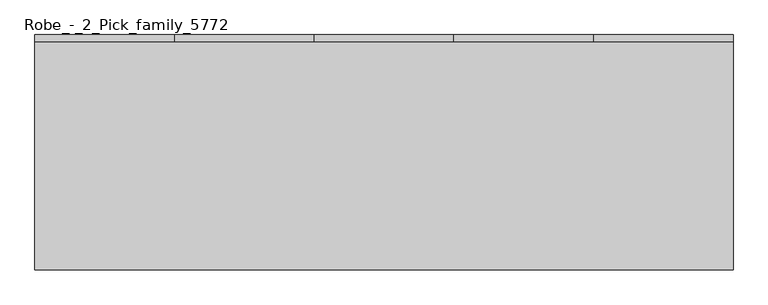
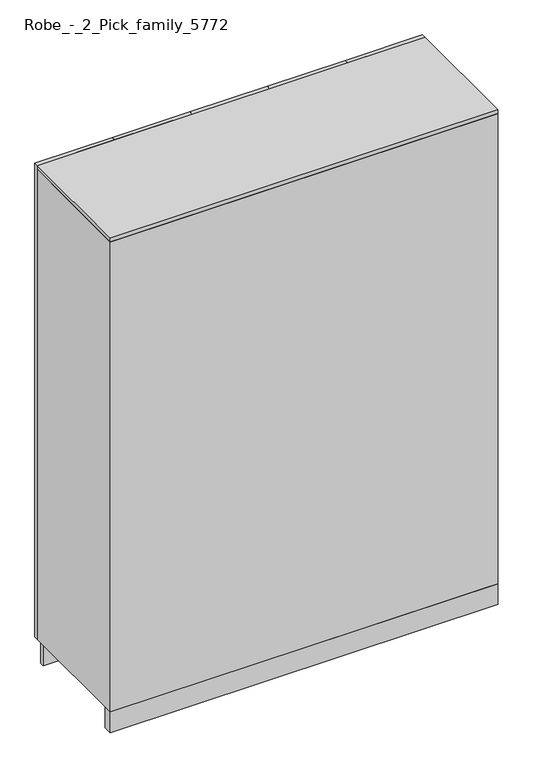
"""IFC4 building model written with IfcOpenShell, lengths in millimetres: furniture geometry, Robe_-_2_Pick_family_5772."""

from ifc_helpers import new_model, si_unit, point, frame, frame_2d, origin, origin_with_axes, place, context, project, spatial, polyline, circle_curve, trimmed, segment, composite_curve, outline, extrude, source, transform, mapped, element, save


def robe_2_pick_family_5772_e962e445(model_context):
    return source(origin(), model_context, "Body", "SweptSolid", [
        extrude(outline(polyline([(1424.0, 600.0), (1424.0, 582.0), (1068.0, 582.0), (1068.0, 600.0), (1424.0, 600.0)])), frame((0.0, 0.0, 100.0), z_axis=(0.0, 0.0, 1.0), x_axis=(1.0, 0.0, 0.0)), (0.0, 0.0, 1.0), 2300.0),
        extrude(outline(polyline([(1068.0, 600.0), (1068.0, 582.0), (712.0, 582.0), (712.0, 600.0), (1068.0, 600.0)])), frame((0.0, 0.0, 100.0), z_axis=(0.0, 0.0, 1.0), x_axis=(1.0, 0.0, 0.0)), (0.0, 0.0, 1.0), 2300.0),
        extrude(outline(polyline([(712.0, 600.0), (712.0, 582.0), (356.0, 582.0), (356.0, 600.0), (712.0, 600.0)])), frame((0.0, 0.0, 100.0), z_axis=(0.0, 0.0, 1.0), x_axis=(1.0, 0.0, 0.0)), (0.0, 0.0, 1.0), 2300.0),
        extrude(outline(polyline([(1780.0, 600.0), (1780.0, 582.0), (1424.0, 582.0), (1424.0, 600.0), (1780.0, 600.0)])), frame((0.0, 0.0, 100.0), z_axis=(0.0, 0.0, 1.0), x_axis=(1.0, 0.0, 0.0)), (0.0, 0.0, 1.0), 2300.0),
        extrude(outline(polyline([(356.0, 600.0), (356.0, 582.0), (0.0, 582.0), (0.0, 600.0), (356.0, 600.0)])), frame((0.0, 0.0, 100.0), z_axis=(0.0, 0.0, 1.0), x_axis=(1.0, 0.0, 0.0)), (0.0, 0.0, 1.0), 2300.0),
        extrude(outline(polyline([(0.0, 0.0), (0.0, 582.0), (18.0, 582.0), (18.0, 18.0), (1762.0, 18.0), (1762.0, 582.0), (1780.0, 582.0), (1780.0, 0.0), (0.0, 0.0)])), frame((0.0, 0.0, 100.0), z_axis=(0.0, 0.0, 1.0), x_axis=(1.0, 0.0, 0.0)), (0.0, 0.0, 1.0), 2282.0),
        extrude(outline(composite_curve([segment(trimmed(circle_curve(frame_2d((275.0, 1750.0)), 15.0), [point((290.0, 1750.0))], [point((260.0, 1750.0))], False, "CARTESIAN"), True, "CONTINUOUS"), segment(trimmed(circle_curve(frame_2d((275.0, 1750.0)), 15.0), [point((260.0, 1750.0))], [point((290.0, 1750.0))], False, "CARTESIAN"), True, "CONTINUOUS")], self_intersect=False)), frame((18.0, 0.0, 0.0), z_axis=(1.0, 0.0, 0.0), x_axis=(0.0, 1.0, 0.0)), (0.0, 0.0, 1.0), 1744.0),
        extrude(outline(polyline([(1762.0, 18.0), (18.0, 18.0), (18.0, 582.0), (1762.0, 582.0), (1762.0, 18.0)])), frame((0.0, 0.0, 100.0), z_axis=(0.0, 0.0, 1.0), x_axis=(1.0, 0.0, 0.0)), (0.0, 0.0, 1.0), 18.0),
        extrude(outline(polyline([(1780.0, 0.0), (0.0, 0.0), (0.0, 582.0), (1780.0, 582.0), (1780.0, 0.0)])), frame((0.0, 0.0, 2382.0), z_axis=(0.0, 0.0, 1.0), x_axis=(1.0, 0.0, 0.0)), (0.0, 0.0, 1.0), 18.0),
        extrude(outline(polyline([(1780.0, 0.0), (0.0, 0.0), (0.0, 40.0), (1780.0, 40.0), (1780.0, 0.0)])), origin_with_axes(), (0.0, 0.0, 1.0), 100.0),
        extrude(outline(polyline([(1780.0, 535.0), (0.0, 535.0), (0.0, 553.0), (1780.0, 553.0), (1780.0, 535.0)])), origin_with_axes(), (0.0, 0.0, 1.0), 100.0),
        extrude(outline(polyline([(1762.0, 18.0), (18.0, 18.0), (18.0, 550.0), (1762.0, 550.0), (1762.0, 18.0)])), frame((0.0, 0.0, 1791.0), z_axis=(0.0, 0.0, 1.0), x_axis=(1.0, 0.0, 0.0)), (0.0, 0.0, 1.0), 18.0),
    ])


if __name__ == "__main__":
    model = new_model("IFC4")
    model_context = context("Model", 3, world=origin())
    ifc_project = project(units=[si_unit("LENGTHUNIT", "METRE", prefix="MILLI")], contexts=[model_context])
    site = spatial("IfcSite", under=ifc_project)
    building = spatial("IfcBuilding", under=site)
    placement = place(None, origin())
    robe_2_pick_family_5772_shape = robe_2_pick_family_5772_e962e445(model_context)
    element("IfcFurniture", 1, ObjectType="Robe_-_2_Pick_family_5772", at=placement, inside=building, context=model_context, shape_type="MappedRepresentation", body=[
        mapped(robe_2_pick_family_5772_shape, transform((0.0, 0.0, 0.0), x_axis=(1.0, 0.0, 0.0), y_axis=(0.0, 1.0, 0.0), z_axis=(0.0, 0.0, 1.0))),
    ])
    save(model, "model.ifc")
